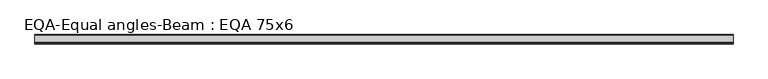
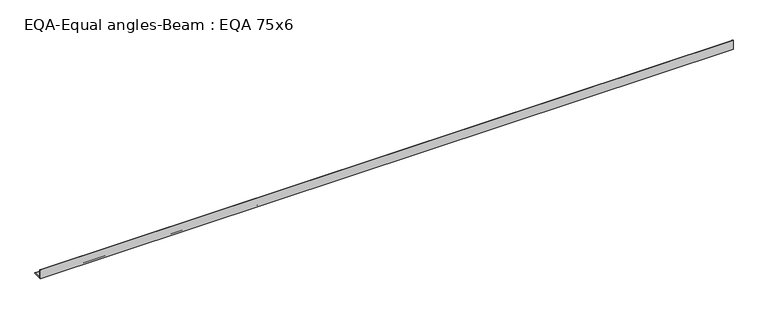
"""IFC4 building model written with IfcOpenShell, lengths in millimetres: beam geometry, EQA-Equal angles-Beam : EQA 75x6."""

from ifc_helpers import new_model, si_unit, point, frame, frame_2d, origin, place, context, project, spatial, polyline, circle_curve, trimmed, segment, composite_curve, outline, extrude, source, transform, mapped, element, save


def eqa_equal_angles_beam_eqa_75x6_7c724c6c(model_context):
    return source(origin(), model_context, "Body", "SweptSolid", [
        extrude(outline(composite_curve([segment(polyline([(-20.5, -20.5), (-20.5, 54.5), (-19.0, 54.5)]), True, "CONTINUOUS"), segment(trimmed(circle_curve(frame_2d((-19.0, 50.0)), 4.5), [point((-19.0, 54.5))], [point((-14.5, 50.0))], False, "CARTESIAN"), True, "CONTINUOUS"), segment(polyline([(-14.5, 50.0), (-14.5, -5.5)]), True, "CONTINUOUS"), segment(trimmed(circle_curve(frame_2d((-5.5, -5.5)), 9.0), [point((-14.5, -5.5))], [point((-5.5, -14.5))], True, "CARTESIAN"), True, "CONTINUOUS"), segment(polyline([(-5.5, -14.5), (50.0, -14.5)]), True, "CONTINUOUS"), segment(trimmed(circle_curve(frame_2d((50.0, -19.0)), 4.5), [point((50.0, -14.5))], [point((54.5, -19.0))], False, "CARTESIAN"), True, "CONTINUOUS"), segment(polyline([(54.5, -19.0), (54.5, -20.5), (-20.5, -20.5)]), True, "CONTINUOUS")], self_intersect=False)), frame((-2804.7184643, 0.0, 0.0), z_axis=(1.0, 0.0, 0.0), x_axis=(0.0, 1.0, 0.0)), (0.0, 0.0, 1.0), 5520.684233),
    ])


if __name__ == "__main__":
    model = new_model("IFC4")
    model_context = context("Model", 3, world=origin())
    ifc_project = project(units=[si_unit("LENGTHUNIT", "METRE", prefix="MILLI")], contexts=[model_context])
    site = spatial("IfcSite", under=ifc_project)
    building = spatial("IfcBuilding", under=site)
    placement = place(None, origin())
    eqa_equal_angles_beam_eqa_75x6_shape = eqa_equal_angles_beam_eqa_75x6_7c724c6c(model_context)
    element("IfcBeam", 1, ObjectType="EQA-Equal angles-Beam : EQA 75x6", at=placement, inside=building, context=model_context, shape_type="MappedRepresentation", body=[
        mapped(eqa_equal_angles_beam_eqa_75x6_shape, transform((0.0, 0.0, 0.0), x_axis=(1.0, 0.0, 0.0), y_axis=(0.0, 1.0, 0.0), z_axis=(0.0, 0.0, 1.0))),
    ])
    save(model, "model.ifc")
